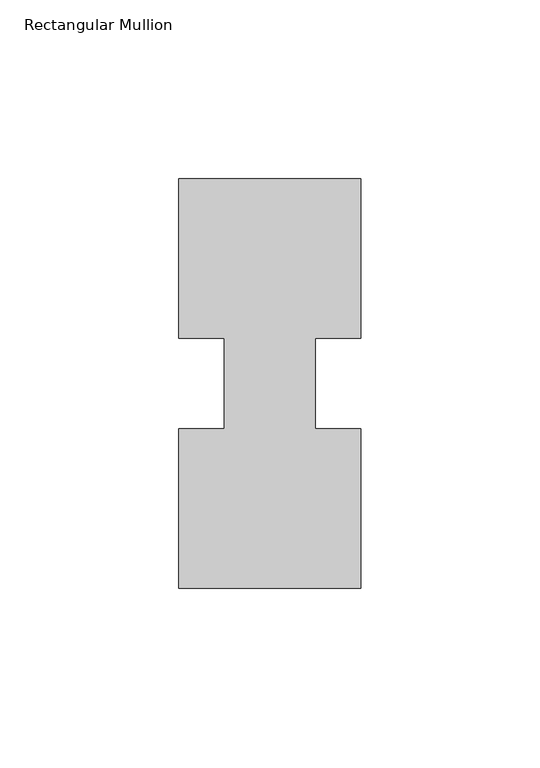
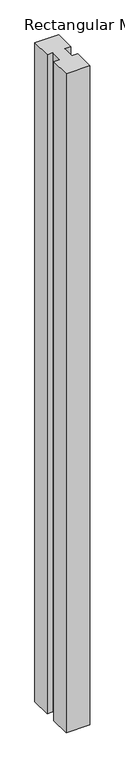
"""IFC4 building model written with IfcOpenShell, lengths in millimetres: member geometry, Rectangular Mullion."""

from ifc_helpers import new_model, si_unit, frame, origin, place, context, project, spatial, polyline, outline, extrude, source, transform, mapped, element, save


def rectangular_mullion_659be822(model_context):
    return source(origin(), model_context, "Body", "SweptSolid", [
        extrude(outline(polyline([(29.7344027, 57.15), (29.7344027, 12.7), (17.0326322, 12.7), (17.0326322, -12.7), (29.7344027, -12.7), (29.7344027, -57.15), (-21.0655973, -57.15), (-21.0655973, -12.7), (-8.3655973, -12.7), (-8.3655973, 12.7), (-21.0655973, 12.7), (-21.0655973, 57.15), (29.7344027, 57.15)])), frame((0.0, 0.0, -1478.28), z_axis=(0.0, 0.0, 1.0), x_axis=(1.0, 0.0, 0.0)), (0.0, 0.0, 1.0), 1478.28),
    ])


if __name__ == "__main__":
    model = new_model("IFC4")
    model_context = context("Model", 3, world=origin())
    ifc_project = project(units=[si_unit("LENGTHUNIT", "METRE", prefix="MILLI")], contexts=[model_context])
    site = spatial("IfcSite", under=ifc_project)
    building = spatial("IfcBuilding", under=site)
    placement = place(None, origin())
    rectangular_mullion_shape = rectangular_mullion_659be822(model_context)
    element("IfcMember", 1, ObjectType="Rectangular Mullion", at=placement, inside=building, context=model_context, shape_type="MappedRepresentation", body=[
        mapped(rectangular_mullion_shape, transform((0.0, 0.0, 0.0), x_axis=(1.0, 0.0, 0.0), y_axis=(0.0, 1.0, 0.0), z_axis=(0.0, 0.0, 1.0))),
    ])
    save(model, "model.ifc")
